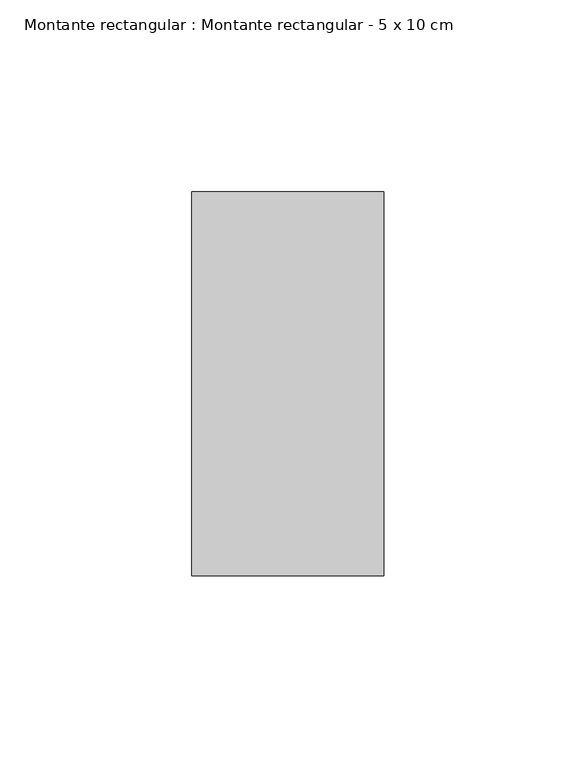
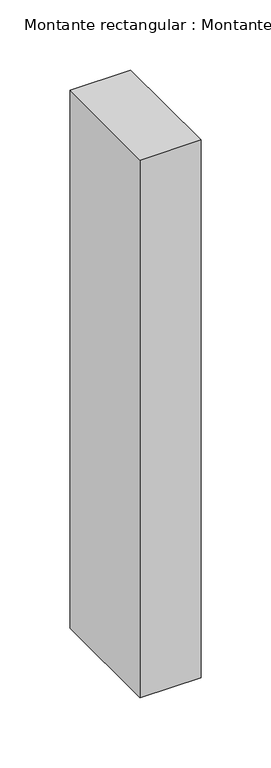
"""IFC4 building model written with IfcOpenShell, lengths in millimetres: member geometry, Montante rectangular : Montante rectangular - 5 x 10 cm."""

from ifc_helpers import new_model, si_unit, frame, origin, place, context, project, spatial, polyline, outline, extrude, source, transform, mapped, element, save


def montante_rectangular_montante_rectangular_5_x_10_cm_1873acec(model_context):
    return source(origin(), model_context, "Body", "SweptSolid", [
        extrude(outline(polyline([(0.0, 50.0), (0.0, -50.0), (-50.0, -50.0), (-50.0, 50.0), (0.0, 50.0)])), frame((0.0, 0.0, -467.7452144), z_axis=(0.0, 0.0, 1.0), x_axis=(1.0, 0.0, 0.0)), (0.0, 0.0, 1.0), 467.7452144),
    ])


if __name__ == "__main__":
    model = new_model("IFC4")
    model_context = context("Model", 3, world=origin())
    ifc_project = project(units=[si_unit("LENGTHUNIT", "METRE", prefix="MILLI")], contexts=[model_context])
    site = spatial("IfcSite", under=ifc_project)
    building = spatial("IfcBuilding", under=site)
    placement = place(None, origin())
    montante_rectangular_montante_rectangular_5_x_10_cm_shape = montante_rectangular_montante_rectangular_5_x_10_cm_1873acec(model_context)
    element("IfcMember", 1, ObjectType="Montante rectangular : Montante rectangular - 5 x 10 cm", at=placement, inside=building, context=model_context, shape_type="MappedRepresentation", body=[
        mapped(montante_rectangular_montante_rectangular_5_x_10_cm_shape, transform((0.0, 0.0, 0.0), x_axis=(1.0, 0.0, 0.0), y_axis=(0.0, 1.0, 0.0), z_axis=(0.0, 0.0, 1.0))),
    ])
    save(model, "model.ifc")
